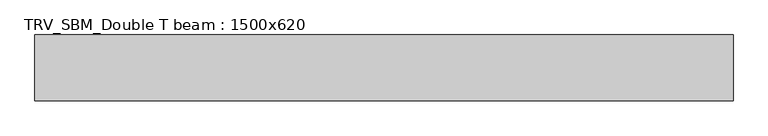
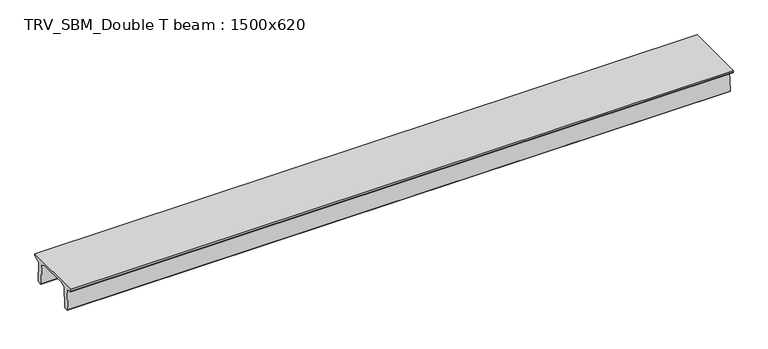
"""IFC4 building model written with IfcOpenShell, lengths in millimetres: beam geometry, TRV_SBM_Double T beam : 1500x620."""

import ifcopenshell
import ifcopenshell.guid

model = None  # the IFC model being written
_history = None  # IfcOwnerHistory: only IFC2X3 demands one
_inside = {}  # id of a spatial element -> (the spatial element, [elements in it])
_under = {}  # id of a project, library or spatial element -> (it, [spatial elements below it])
_declared = {}  # id of a project -> (the project, [libraries it declares])
_typed = {}  # id of a type object -> (the type object, [elements of that type])
_made_of = {}  # id of a material, layer set ... -> (it, [elements and type objects made of it])


def new_model(schema):
    """Start an empty IFC model of exactly this schema.

    Asked for "IFC4X3", IfcOpenShell would pick the latest addendum, in which some entities
    have other attributes; the version numbers below select the first issue.
    IFC2X3 requires an IfcOwnerHistory on every rooted entity: one is made here for all.
    """
    global model, _history
    if schema == "IFC4X3":
        model = ifcopenshell.file(schema_version=(4, 3, 0, 0))
    else:
        model = ifcopenshell.file(schema=schema)
    _inside.clear()
    _under.clear()
    _declared.clear()
    _typed.clear()
    _made_of.clear()
    _history = None
    if model.schema == "IFC2X3":
        org = make("IfcOrganization", Name="unknown")
        user = make(
            "IfcPersonAndOrganization",
            ThePerson=make("IfcPerson", FamilyName="unknown"),
            TheOrganization=org,
        )
        app = make(
            "IfcApplication",
            ApplicationDeveloper=org,
            Version="unknown",
            ApplicationFullName="unknown",
            ApplicationIdentifier="unknown",
        )
        _history = make(
            "IfcOwnerHistory",
            OwningUser=user,
            OwningApplication=app,
            ChangeAction="ADDED",
            CreationDate=0,
        )
    return model


def make(cls, **values):
    """One entity of the class cls with the attributes given. An attribute that is None is left unset."""
    return model.create_entity(
        cls, **{name: value for name, value in values.items() if value is not None}
    )


def rooted(cls, **values):
    """An entity with a GlobalId (a new one), such as an element, a storey or a relation."""
    return make(cls, GlobalId=ifcopenshell.guid.new(), OwnerHistory=_history, **values)


def si_unit(unit_type, name, prefix=None):
    """IfcSIUnit, for example si_unit("LENGTHUNIT", "METRE", prefix="MILLI")."""
    return make("IfcSIUnit", UnitType=unit_type, Prefix=prefix, Name=name)


def assignment(units):
    """IfcUnitAssignment: the units of a project."""
    return None if units is None else make("IfcUnitAssignment", Units=units)


def point(xyz):
    """IfcCartesianPoint."""
    return None if xyz is None else make("IfcCartesianPoint", Coordinates=xyz)


def direction(xyz):
    """IfcDirection."""
    return None if xyz is None else make("IfcDirection", DirectionRatios=xyz)


def frame(location, z_axis=None, x_axis=None):
    """IfcAxis2Placement3D, a coordinate frame: its origin and axes. An axis left out is left unset."""
    return make(
        "IfcAxis2Placement3D",
        Location=point(location),
        Axis=direction(z_axis),
        RefDirection=direction(x_axis),
    )


def origin():
    """The frame at (0, 0, 0) with its axes left unset."""
    return frame((0.0, 0.0, 0.0))


def place(relative_to, where):
    """IfcLocalPlacement: puts the frame where relative to a parent placement (None: the world)."""
    return make(
        "IfcLocalPlacement", PlacementRelTo=relative_to, RelativePlacement=where
    )


def context(
    kind, dimensions, precision=None, world=None, true_north=None, identifier=None
):
    """IfcGeometricRepresentationContext, for example the 3D "Model" context."""
    return make(
        "IfcGeometricRepresentationContext",
        ContextIdentifier=identifier,
        ContextType=kind,
        CoordinateSpaceDimension=dimensions,
        Precision=precision,
        WorldCoordinateSystem=world,
        TrueNorth=true_north,
    )


def project(units=None, contexts=None):
    """IfcProject with its units and contexts."""
    return rooted(
        "IfcProject",
        Name="project",
        RepresentationContexts=contexts,
        UnitsInContext=assignment(units),
    )


def spatial(cls, under=None, at=None, **own):
    """A site, building, storey or space (cls), placed at a placement, below another one or the project."""
    s = rooted(cls, ObjectPlacement=at, **own)
    if under is not None:
        _under.setdefault(under.id(), (under, []))[1].append(s)
    return s


def polyline(points):
    """IfcPolyline through the points."""
    return make("IfcPolyline", Points=[point(p) for p in points])


def outline(outer, holes=None, kind="AREA"):
    """IfcArbitraryClosedProfileDef: a profile drawn as a closed curve; with holes, ...WithVoids."""
    if holes is None:
        return make("IfcArbitraryClosedProfileDef", ProfileType=kind, OuterCurve=outer)
    return make(
        "IfcArbitraryProfileDefWithVoids",
        ProfileType=kind,
        OuterCurve=outer,
        InnerCurves=holes,
    )


def extrude(swept, where, along, depth):
    """IfcExtrudedAreaSolid: the profile swept, set in the frame where, extruded along a direction by depth."""
    return make(
        "IfcExtrudedAreaSolid",
        SweptArea=swept,
        Position=where,
        ExtrudedDirection=direction(along),
        Depth=depth,
    )


def shape(context_of_items, identifier, shape_type, items):
    """IfcShapeRepresentation: the items that make up one representation, for example the "Body"."""
    return make(
        "IfcShapeRepresentation",
        ContextOfItems=context_of_items,
        RepresentationIdentifier=identifier,
        RepresentationType=shape_type,
        Items=items,
    )


def source(mapping_origin, context_of_items, identifier, shape_type, items):
    """IfcRepresentationMap: a shape defined once, which mapped items show again and again."""
    return make(
        "IfcRepresentationMap",
        MappingOrigin=mapping_origin,
        MappedRepresentation=shape(context_of_items, identifier, shape_type, items),
    )


def transform(
    local_origin,
    x_axis=None,
    y_axis=None,
    z_axis=None,
    scale=None,
    scale2=None,
    scale3=None,
    uniform=True,
):
    """IfcCartesianTransformationOperator3D, or its non-uniform kind. x_axis, y_axis, z_axis: its Axis1, 2, 3."""
    if uniform:
        return make(
            "IfcCartesianTransformationOperator3D",
            Axis1=direction(x_axis),
            Axis2=direction(y_axis),
            LocalOrigin=point(local_origin),
            Scale=scale,
            Axis3=direction(z_axis),
        )
    return make(
        "IfcCartesianTransformationOperator3DnonUniform",
        Axis1=direction(x_axis),
        Axis2=direction(y_axis),
        LocalOrigin=point(local_origin),
        Scale=scale,
        Axis3=direction(z_axis),
        Scale2=scale2,
        Scale3=scale3,
    )


def mapped(mapping_source, mapping_target):
    """IfcMappedItem: shows the shape of a source again, moved by a transform."""
    return make(
        "IfcMappedItem", MappingSource=mapping_source, MappingTarget=mapping_target
    )


def made_of(thing, what):
    """Note that an element or type object is made of a material, layer set ...; save() writes the relation."""
    if what is not None:
        _made_of.setdefault(what.id(), (what, []))[1].append(thing)
    return thing


def element(
    cls,
    number,
    at=None,
    inside=None,
    cuts=None,
    type_object=None,
    material=None,
    context=None,
    identifier="Body",
    shape_type=None,
    held_by="IfcProductDefinitionShape",
    body=None,
    shapes=None,
    **own,
):
    """One element of the class cls, such as IfcWall. Its Tag is "e" and its number.

    at: its placement. inside: the storey or other place that contains it. cuts: it is an
    opening in that element (IfcRelVoidsElement). A single representation is given by context,
    identifier, shape_type and body (its items); several are given by shapes. held_by: the class
    of the entity that holds the representations. save() writes the other relations.
    """
    e = rooted(cls, Tag="e%d" % number, ObjectPlacement=at, **own)
    if body is not None:
        shapes = [shape(context, identifier, shape_type, body)]
    if shapes is not None:
        e.Representation = make(held_by, Representations=shapes)
    if inside is not None:
        _inside.setdefault(inside.id(), (inside, []))[1].append(e)
    if cuts is not None:
        rooted(
            "IfcRelVoidsElement", RelatingBuildingElement=cuts, RelatedOpeningElement=e
        )
    if type_object is not None:
        _typed.setdefault(type_object.id(), (type_object, []))[1].append(e)
    return made_of(e, material)


def aggregate(whole, parts):
    """IfcRelAggregates: a whole, such as a stair, and the parts it consists of."""
    return rooted("IfcRelAggregates", RelatingObject=whole, RelatedObjects=parts)


def save(model, path):
    """Write the relations noted so far, then the file.

    IfcRelAggregates (storeys below a building ...), IfcRelContainedInSpatialStructure (elements
    in a storey), IfcRelDefinesByType, IfcRelAssociatesMaterial and IfcRelDeclares: one each for
    every whole, place, type object, material and project.
    """
    for whole, parts in _under.values():
        aggregate(whole, parts)
    for where, things in _inside.values():
        rooted(
            "IfcRelContainedInSpatialStructure",
            RelatedElements=things,
            RelatingStructure=where,
        )
    for kind, things in _typed.values():
        rooted("IfcRelDefinesByType", RelatedObjects=things, RelatingType=kind)
    for what, things in _made_of.values():
        rooted("IfcRelAssociatesMaterial", RelatedObjects=things, RelatingMaterial=what)
    for by, libraries in _declared.values():
        rooted("IfcRelDeclares", RelatingContext=by, RelatedDefinitions=libraries)
    model.write(path)


def trv_sbm_double_t_beam_1500x620_c3831784(model_context):
    return source(origin(), model_context, "Body", "SweptSolid", [
        extrude(outline(polyline([(-765.0, 215.0), (-765.0, 260.0), (735.0, 260.0), (735.0, 215.0), (728.2094488, 201.315559), (578.0626443, 140.6523122), (594.8277662, -339.4379646), (574.2657308, -360.0), (484.2657308, -360.0), (464.786332, -340.5206011), (447.8600761, 144.18395), (338.3237744, 210.0), (-367.4555014, 210.0), (-476.5389732, 151.9992892), (-507.0080378, -339.3850967), (-527.622941, -360.0), (-615.122941, -360.0), (-637.1143055, -338.0086356), (-606.1572167, 162.687806), (-761.3068466, 204.260024), (-765.0, 215.0)])), frame((-7919.0, 0.0, 0.0), z_axis=(1.0, 0.0, 0.0), x_axis=(0.0, 1.0, 0.0)), (0.0, 0.0, 1.0), 15915.0),
    ])


if __name__ == "__main__":
    model = new_model("IFC4")
    model_context = context("Model", 3, world=origin())
    ifc_project = project(units=[si_unit("LENGTHUNIT", "METRE", prefix="MILLI")], contexts=[model_context])
    site = spatial("IfcSite", under=ifc_project)
    building = spatial("IfcBuilding", under=site)
    placement = place(None, origin())
    trv_sbm_double_t_beam_1500x620_shape = trv_sbm_double_t_beam_1500x620_c3831784(model_context)
    element("IfcBeam", 1, ObjectType="TRV_SBM_Double T beam : 1500x620", at=placement, inside=building, context=model_context, shape_type="MappedRepresentation", body=[
        mapped(trv_sbm_double_t_beam_1500x620_shape, transform((0.0, 0.0, 0.0), x_axis=(1.0, 0.0, 0.0), y_axis=(0.0, 1.0, 0.0), z_axis=(0.0, 0.0, 1.0))),
    ])
    save(model, "model.ifc")
